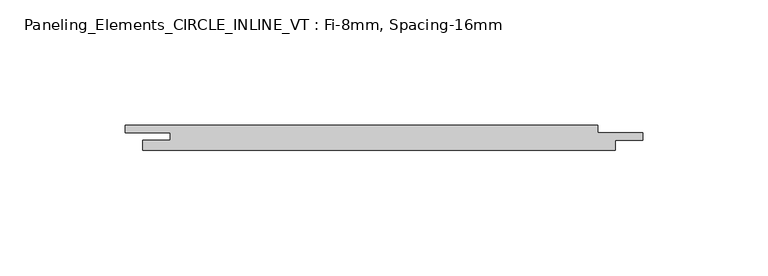
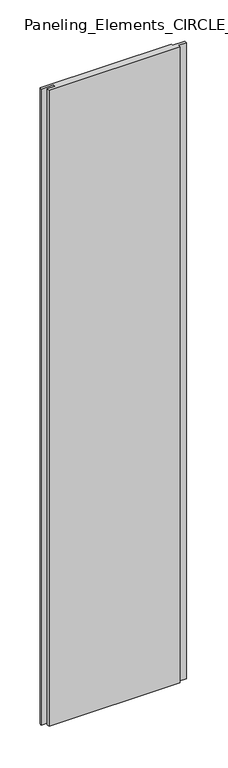
"""IFC4 building model written with IfcOpenShell, lengths in millimetres: plate geometry, Paneling_Elements_CIRCLE_INLINE_VT : Fi-8mm, Spacing-16mm."""

import ifcopenshell
import ifcopenshell.guid

model = None  # the IFC model being written
_history = None  # IfcOwnerHistory: only IFC2X3 demands one
_inside = {}  # id of a spatial element -> (the spatial element, [elements in it])
_under = {}  # id of a project, library or spatial element -> (it, [spatial elements below it])
_declared = {}  # id of a project -> (the project, [libraries it declares])
_typed = {}  # id of a type object -> (the type object, [elements of that type])
_made_of = {}  # id of a material, layer set ... -> (it, [elements and type objects made of it])


def new_model(schema):
    """Start an empty IFC model of exactly this schema.

    Asked for "IFC4X3", IfcOpenShell would pick the latest addendum, in which some entities
    have other attributes; the version numbers below select the first issue.
    IFC2X3 requires an IfcOwnerHistory on every rooted entity: one is made here for all.
    """
    global model, _history
    if schema == "IFC4X3":
        model = ifcopenshell.file(schema_version=(4, 3, 0, 0))
    else:
        model = ifcopenshell.file(schema=schema)
    _inside.clear()
    _under.clear()
    _declared.clear()
    _typed.clear()
    _made_of.clear()
    _history = None
    if model.schema == "IFC2X3":
        org = make("IfcOrganization", Name="unknown")
        user = make(
            "IfcPersonAndOrganization",
            ThePerson=make("IfcPerson", FamilyName="unknown"),
            TheOrganization=org,
        )
        app = make(
            "IfcApplication",
            ApplicationDeveloper=org,
            Version="unknown",
            ApplicationFullName="unknown",
            ApplicationIdentifier="unknown",
        )
        _history = make(
            "IfcOwnerHistory",
            OwningUser=user,
            OwningApplication=app,
            ChangeAction="ADDED",
            CreationDate=0,
        )
    return model


def make(cls, **values):
    """One entity of the class cls with the attributes given. An attribute that is None is left unset."""
    return model.create_entity(
        cls, **{name: value for name, value in values.items() if value is not None}
    )


def rooted(cls, **values):
    """An entity with a GlobalId (a new one), such as an element, a storey or a relation."""
    return make(cls, GlobalId=ifcopenshell.guid.new(), OwnerHistory=_history, **values)


def si_unit(unit_type, name, prefix=None):
    """IfcSIUnit, for example si_unit("LENGTHUNIT", "METRE", prefix="MILLI")."""
    return make("IfcSIUnit", UnitType=unit_type, Prefix=prefix, Name=name)


def assignment(units):
    """IfcUnitAssignment: the units of a project."""
    return None if units is None else make("IfcUnitAssignment", Units=units)


def point(xyz):
    """IfcCartesianPoint."""
    return None if xyz is None else make("IfcCartesianPoint", Coordinates=xyz)


def direction(xyz):
    """IfcDirection."""
    return None if xyz is None else make("IfcDirection", DirectionRatios=xyz)


def frame(location, z_axis=None, x_axis=None):
    """IfcAxis2Placement3D, a coordinate frame: its origin and axes. An axis left out is left unset."""
    return make(
        "IfcAxis2Placement3D",
        Location=point(location),
        Axis=direction(z_axis),
        RefDirection=direction(x_axis),
    )


def origin():
    """The frame at (0, 0, 0) with its axes left unset."""
    return frame((0.0, 0.0, 0.0))


def origin_with_axes():
    """The frame at (0, 0, 0) with the z axis (0, 0, 1) and the x axis (1, 0, 0) written out."""
    return frame((0.0, 0.0, 0.0), z_axis=(0.0, 0.0, 1.0), x_axis=(1.0, 0.0, 0.0))


def place(relative_to, where):
    """IfcLocalPlacement: puts the frame where relative to a parent placement (None: the world)."""
    return make(
        "IfcLocalPlacement", PlacementRelTo=relative_to, RelativePlacement=where
    )


def context(
    kind, dimensions, precision=None, world=None, true_north=None, identifier=None
):
    """IfcGeometricRepresentationContext, for example the 3D "Model" context."""
    return make(
        "IfcGeometricRepresentationContext",
        ContextIdentifier=identifier,
        ContextType=kind,
        CoordinateSpaceDimension=dimensions,
        Precision=precision,
        WorldCoordinateSystem=world,
        TrueNorth=true_north,
    )


def project(units=None, contexts=None):
    """IfcProject with its units and contexts."""
    return rooted(
        "IfcProject",
        Name="project",
        RepresentationContexts=contexts,
        UnitsInContext=assignment(units),
    )


def spatial(cls, under=None, at=None, **own):
    """A site, building, storey or space (cls), placed at a placement, below another one or the project."""
    s = rooted(cls, ObjectPlacement=at, **own)
    if under is not None:
        _under.setdefault(under.id(), (under, []))[1].append(s)
    return s


def polyline(points):
    """IfcPolyline through the points."""
    return make("IfcPolyline", Points=[point(p) for p in points])


def outline(outer, holes=None, kind="AREA"):
    """IfcArbitraryClosedProfileDef: a profile drawn as a closed curve; with holes, ...WithVoids."""
    if holes is None:
        return make("IfcArbitraryClosedProfileDef", ProfileType=kind, OuterCurve=outer)
    return make(
        "IfcArbitraryProfileDefWithVoids",
        ProfileType=kind,
        OuterCurve=outer,
        InnerCurves=holes,
    )


def extrude(swept, where, along, depth):
    """IfcExtrudedAreaSolid: the profile swept, set in the frame where, extruded along a direction by depth."""
    return make(
        "IfcExtrudedAreaSolid",
        SweptArea=swept,
        Position=where,
        ExtrudedDirection=direction(along),
        Depth=depth,
    )


def shape(context_of_items, identifier, shape_type, items):
    """IfcShapeRepresentation: the items that make up one representation, for example the "Body"."""
    return make(
        "IfcShapeRepresentation",
        ContextOfItems=context_of_items,
        RepresentationIdentifier=identifier,
        RepresentationType=shape_type,
        Items=items,
    )


def source(mapping_origin, context_of_items, identifier, shape_type, items):
    """IfcRepresentationMap: a shape defined once, which mapped items show again and again."""
    return make(
        "IfcRepresentationMap",
        MappingOrigin=mapping_origin,
        MappedRepresentation=shape(context_of_items, identifier, shape_type, items),
    )


def transform(
    local_origin,
    x_axis=None,
    y_axis=None,
    z_axis=None,
    scale=None,
    scale2=None,
    scale3=None,
    uniform=True,
):
    """IfcCartesianTransformationOperator3D, or its non-uniform kind. x_axis, y_axis, z_axis: its Axis1, 2, 3."""
    if uniform:
        return make(
            "IfcCartesianTransformationOperator3D",
            Axis1=direction(x_axis),
            Axis2=direction(y_axis),
            LocalOrigin=point(local_origin),
            Scale=scale,
            Axis3=direction(z_axis),
        )
    return make(
        "IfcCartesianTransformationOperator3DnonUniform",
        Axis1=direction(x_axis),
        Axis2=direction(y_axis),
        LocalOrigin=point(local_origin),
        Scale=scale,
        Axis3=direction(z_axis),
        Scale2=scale2,
        Scale3=scale3,
    )


def mapped(mapping_source, mapping_target):
    """IfcMappedItem: shows the shape of a source again, moved by a transform."""
    return make(
        "IfcMappedItem", MappingSource=mapping_source, MappingTarget=mapping_target
    )


def made_of(thing, what):
    """Note that an element or type object is made of a material, layer set ...; save() writes the relation."""
    if what is not None:
        _made_of.setdefault(what.id(), (what, []))[1].append(thing)
    return thing


def element(
    cls,
    number,
    at=None,
    inside=None,
    cuts=None,
    type_object=None,
    material=None,
    context=None,
    identifier="Body",
    shape_type=None,
    held_by="IfcProductDefinitionShape",
    body=None,
    shapes=None,
    **own,
):
    """One element of the class cls, such as IfcWall. Its Tag is "e" and its number.

    at: its placement. inside: the storey or other place that contains it. cuts: it is an
    opening in that element (IfcRelVoidsElement). A single representation is given by context,
    identifier, shape_type and body (its items); several are given by shapes. held_by: the class
    of the entity that holds the representations. save() writes the other relations.
    """
    e = rooted(cls, Tag="e%d" % number, ObjectPlacement=at, **own)
    if body is not None:
        shapes = [shape(context, identifier, shape_type, body)]
    if shapes is not None:
        e.Representation = make(held_by, Representations=shapes)
    if inside is not None:
        _inside.setdefault(inside.id(), (inside, []))[1].append(e)
    if cuts is not None:
        rooted(
            "IfcRelVoidsElement", RelatingBuildingElement=cuts, RelatedOpeningElement=e
        )
    if type_object is not None:
        _typed.setdefault(type_object.id(), (type_object, []))[1].append(e)
    return made_of(e, material)


def aggregate(whole, parts):
    """IfcRelAggregates: a whole, such as a stair, and the parts it consists of."""
    return rooted("IfcRelAggregates", RelatingObject=whole, RelatedObjects=parts)


def save(model, path):
    """Write the relations noted so far, then the file.

    IfcRelAggregates (storeys below a building ...), IfcRelContainedInSpatialStructure (elements
    in a storey), IfcRelDefinesByType, IfcRelAssociatesMaterial and IfcRelDeclares: one each for
    every whole, place, type object, material and project.
    """
    for whole, parts in _under.values():
        aggregate(whole, parts)
    for where, things in _inside.values():
        rooted(
            "IfcRelContainedInSpatialStructure",
            RelatedElements=things,
            RelatingStructure=where,
        )
    for kind, things in _typed.values():
        rooted("IfcRelDefinesByType", RelatedObjects=things, RelatingType=kind)
    for what, things in _made_of.values():
        rooted("IfcRelAssociatesMaterial", RelatedObjects=things, RelatingMaterial=what)
    for by, libraries in _declared.values():
        rooted("IfcRelDeclares", RelatingContext=by, RelatedDefinitions=libraries)
    model.write(path)


def paneling_elements_circle_inline_vt_fi_8mm_spacing_16mm_b7be9dba(model_context):
    return source(origin(), model_context, "Body", "SweptSolid", [
        extrude(outline(polyline([(87.5, 5.0), (87.5, 2.0), (105.5, 2.0), (105.5, -1.0), (94.5, -1.0), (94.5, -5.0), (-94.5, -5.0), (-94.5, -1.0), (-83.5, -1.0), (-83.5, 2.0), (-101.5, 2.0), (-101.5, 5.0), (87.5, 5.0)])), origin_with_axes(), (0.0, 0.0, 1.0), 966.8),
    ])


if __name__ == "__main__":
    model = new_model("IFC4")
    model_context = context("Model", 3, world=origin())
    ifc_project = project(units=[si_unit("LENGTHUNIT", "METRE", prefix="MILLI")], contexts=[model_context])
    site = spatial("IfcSite", under=ifc_project)
    building = spatial("IfcBuilding", under=site)
    placement = place(None, origin())
    paneling_elements_circle_inline_vt_fi_8mm_spacing_16mm_shape = paneling_elements_circle_inline_vt_fi_8mm_spacing_16mm_b7be9dba(model_context)
    element("IfcPlate", 1, ObjectType="Paneling_Elements_CIRCLE_INLINE_VT : Fi-8mm, Spacing-16mm", at=placement, inside=building, context=model_context, shape_type="MappedRepresentation", body=[
        mapped(paneling_elements_circle_inline_vt_fi_8mm_spacing_16mm_shape, transform((0.0, 0.0, 0.0), x_axis=(1.0, 0.0, 0.0), y_axis=(0.0, 1.0, 0.0), z_axis=(0.0, 0.0, 1.0))),
    ])
    save(model, "model.ifc")
